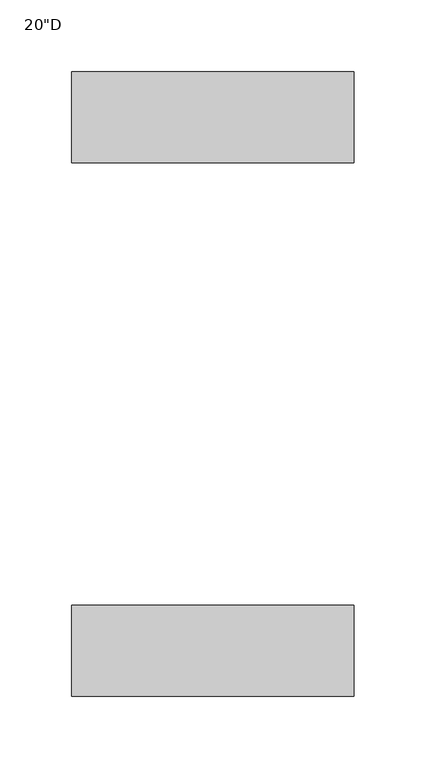
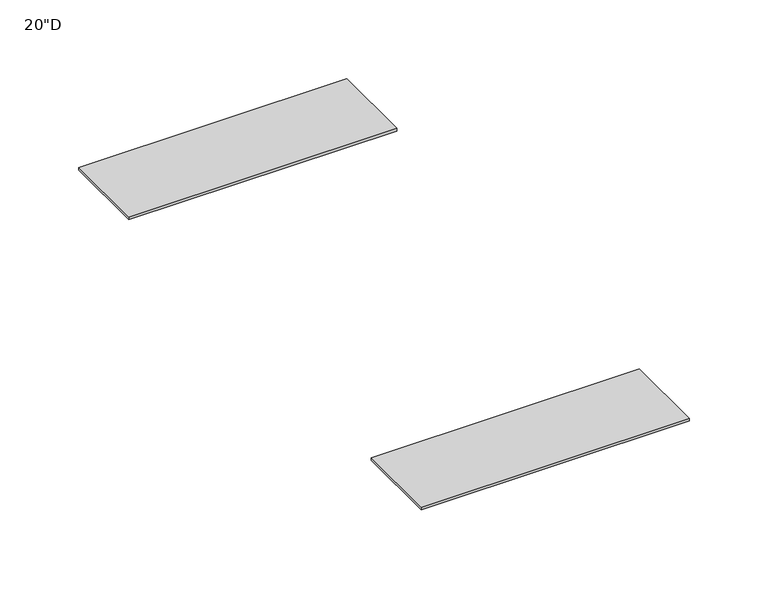
"""IFC4 building model written with IfcOpenShell, lengths in millimetres: furniture geometry."""

from ifc_helpers import new_model, si_unit, frame, origin, place, context, project, spatial, polyline, outline, extrude, source, transform, mapped, element, save


def furniture_3cd37e6d(model_context):
    return source(origin(), model_context, "Body", "SweptSolid", [
        extrude(outline(polyline([(-657.9585985, 228.5226437), (-461.1085985, 228.5226437), (-461.1085985, 165.0226437), (-657.9585985, 165.0226437), (-657.9585985, 228.5226437)])), frame((0.0, 0.0, 704.9262), z_axis=(0.0, 0.0, 1.0), x_axis=(1.0, 0.0, 0.0)), (0.0, 0.0, 1.0), 2.0828),
        extrude(outline(polyline([(-657.9585985, 600.1246437), (-461.1085985, 600.1246437), (-461.1085985, 536.6246437), (-657.9585985, 536.6246437), (-657.9585985, 600.1246437)])), frame((0.0, 0.0, 704.9262), z_axis=(0.0, 0.0, 1.0), x_axis=(1.0, 0.0, 0.0)), (0.0, 0.0, 1.0), 2.0828),
    ])


if __name__ == "__main__":
    model = new_model("IFC4")
    model_context = context("Model", 3, world=origin())
    ifc_project = project(units=[si_unit("LENGTHUNIT", "METRE", prefix="MILLI")], contexts=[model_context])
    site = spatial("IfcSite", under=ifc_project)
    building = spatial("IfcBuilding", under=site)
    placement = place(None, origin())
    furniture_shape = furniture_3cd37e6d(model_context)
    element("IfcFurniture", 1, ObjectType="20\"D", at=placement, inside=building, context=model_context, shape_type="MappedRepresentation", body=[
        mapped(furniture_shape, transform((0.0, 0.0, 0.0), x_axis=(1.0, 0.0, 0.0), y_axis=(0.0, 1.0, 0.0), z_axis=(0.0, 0.0, 1.0))),
    ])
    save(model, "model.ifc")
